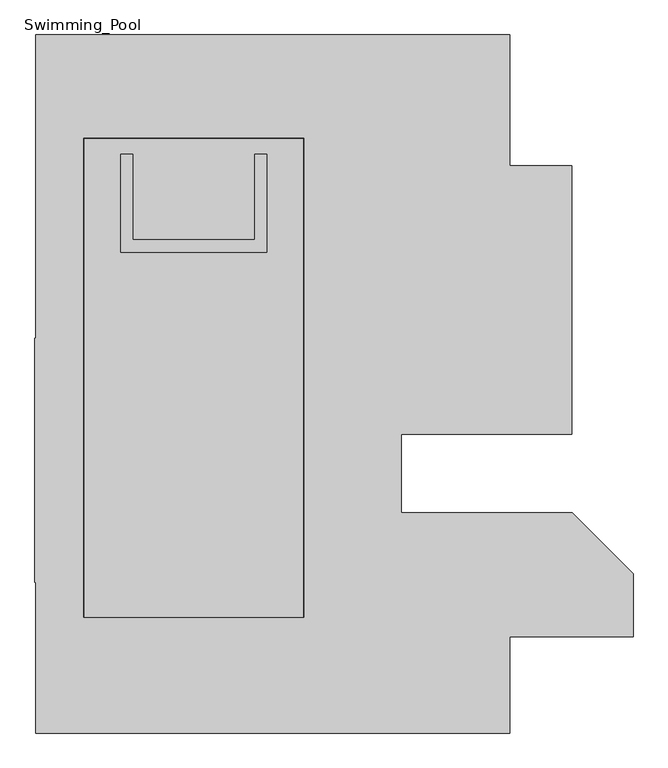
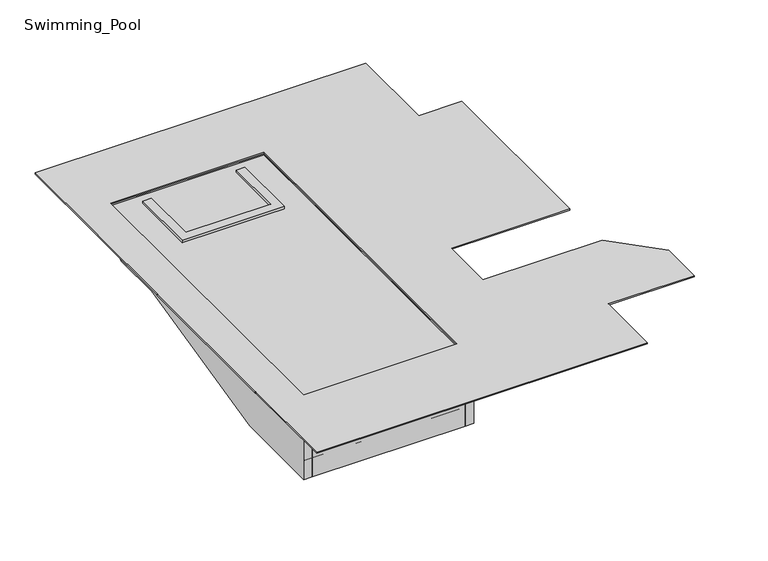
"""IFC4 building model written with IfcOpenShell, lengths in millimetres: geographic element geometry, Swimming_Pool."""

from ifc_helpers import new_model, si_unit, point, frame, frame_2d, origin, origin_with_axes, place, context, project, spatial, polyline, circle_curve, trimmed, segment, composite_curve, outline, extrude, faceted_brep, source, transform, mapped, element, save


def swimming_pool_ededd0e3(model_context):
    return source(origin(), model_context, "Body", "SolidModel", [
        extrude(outline(composite_curve([segment(polyline([(5768.6646234, -203.2), (5463.8646234, -203.2), (5463.8646234, -406.4), (5159.0646234, -406.4), (5159.0646234, -609.6), (4854.2646234, -609.6), (4854.2646234, -812.8), (4549.4646234, -812.8), (4549.4646234, -1016.0), (2720.6646234, -1016.0), (-3375.3353766, -2438.4), (-6118.5353766, -2438.4)]), True, "CONTINUOUS"), segment(trimmed(circle_curve(frame_2d((-6118.5353766, -2133.6)), 304.8), [point((-6118.5353766, -2438.4))], [point((-6423.3353766, -2133.6))], False, "CARTESIAN"), True, "CONTINUOUS"), segment(polyline([(-6423.3353766, -2133.6), (-6423.3353766, -50.8), (5768.6646234, -50.8), (5768.6646234, -203.2)]), True, "CONTINUOUS")], self_intersect=False)), frame((-3351.2776282, 0.0, 0.0), z_axis=(1.0, 0.0, 0.0), x_axis=(0.0, 1.0, 0.0)), (0.0, 0.0, 1.0), 5486.4),
        extrude(outline(polyline([(6073.4646234, -508.0), (4549.4646234, -1320.8), (2705.0295157, -1320.8), (-3375.3353766, -2743.2), (-6728.1353766, -2743.2), (-6728.1353766, 0.0), (6073.4646234, 0.0), (6073.4646234, -508.0)])), frame((-3656.0776282, 0.0, 0.0), z_axis=(1.0, 0.0, 0.0), x_axis=(0.0, 1.0, 0.0)), (0.0, 0.0, 1.0), 304.8),
        extrude(outline(polyline([(-6728.1353766, -2743.2), (-6728.1353766, 0.0), (6073.4646234, 0.0), (6073.4646234, -508.0), (4549.4646234, -1320.8), (2690.4457355, -1320.8), (-3375.3353766, -2743.2), (-6728.1353766, -2743.2)])), frame((2135.1223718, 0.0, 0.0), z_axis=(1.0, 0.0, 0.0), x_axis=(0.0, 1.0, 0.0)), (0.0, 0.0, 1.0), 304.8),
        extrude(outline(composite_curve([segment(polyline([(5768.6646234, -203.2), (5768.6646234, 0.0), (6073.4646234, 0.0), (6073.4646234, -203.2), (6073.4646234, -508.0), (4549.4646234, -1320.8), (2720.6646234, -1320.8), (-3375.3353766, -2743.2), (-6728.1353766, -2743.2), (-6728.1353766, 0.0), (-6423.3353766, 0.0), (-6423.3353766, -2133.6)]), True, "CONTINUOUS"), segment(trimmed(circle_curve(frame_2d((-6118.5353766, -2133.6)), 304.8), [point((-6423.3353766, -2133.6))], [point((-6118.5353766, -2438.4))], True, "CARTESIAN"), True, "CONTINUOUS"), segment(polyline([(-6118.5353766, -2438.4), (-3375.3353766, -2438.4), (2720.6646234, -1016.0), (4549.4646234, -1016.0), (4549.4646234, -812.8), (4854.2646234, -812.8), (4854.2646234, -609.6), (5159.0646234, -609.6), (5159.0646234, -406.4), (5463.8646234, -406.4), (5463.8646234, -203.2), (5768.6646234, -203.2)]), True, "CONTINUOUS")], self_intersect=False)), frame((-3351.2776282, 0.0, 0.0), z_axis=(1.0, 0.0, 0.0), x_axis=(0.0, 1.0, 0.0)), (0.0, 0.0, 1.0), 5486.4),
        extrude(outline(polyline([(1068.3223718, 5362.2646234), (1068.3223718, 3076.2646234), (-2132.0776282, 3076.2646234), (-2132.0776282, 5362.2646234), (1068.3223718, 5362.2646234)]), holes=[polyline([(458.7223718, 5057.4646234), (-1674.8776282, 5057.4646234), (-1674.8776282, 3685.8646234), (458.7223718, 3685.8646234), (458.7223718, 5057.4646234)])]), frame((0.0, 0.0, -1016.0), z_axis=(0.0, 0.0, 1.0), x_axis=(1.0, 0.0, 0.0)), (0.0, 0.0, 1.0), 457.2),
        faceted_brep([(-2436.8776282, 5362.2646234, 50.8), (-2436.8776282, 2923.8646234, 50.8), (1220.7223718, 2923.8646234, 50.8), (1220.7223718, 5362.2646234, 50.8), (915.9223718, 5362.2646234, 50.8), (915.9223718, 3228.6646234, 50.8), (-2132.0776282, 3228.6646234, 50.8), (-2132.0776282, 5362.2646234, 50.8), (-2436.8776282, 5362.2646234, -1016.0), (1220.7223718, 5362.2646234, -1016.0), (1220.7223718, 2923.8646234, -1016.0), (-2436.8776282, 2923.8646234, -1016.0), (-2132.0776282, 5362.2646234, -863.6), (915.9223718, 5362.2646234, -863.6), (-2132.0776282, 3228.6646234, -863.6), (915.9223718, 3228.6646234, -863.6)], [[[0, 1, 2, 3, 4, 5, 6, 7]], [[8, 9, 10, 11]], [[1, 0, 8, 11]], [[2, 1, 11, 10]], [[3, 2, 10, 9]], [[9, 8, 0, 7, 12, 13, 4, 3]], [[12, 14, 15, 13]], [[14, 12, 7, 6]], [[15, 14, 6, 5]], [[13, 15, 5, 4]]]),
        extrude(outline(polyline([(4579.8723718, -9094.5025641), (-4557.7776282, -9094.5025641), (-4557.7776282, -5328.9525641), (-4576.8276282, -5328.9525641), (-4576.8276282, 767.0474359), (-4557.7776282, 767.0474359), (-4557.7776282, 8348.9474359), (4579.8723718, 8348.9474359), (7281.7973718, 8348.9474359), (7281.7973718, 5078.8958734), (8834.3723718, 5078.8958734), (8834.3723718, -1623.5291266), (4579.8723718, -1623.5291266), (4579.8723718, -3591.2353766), (8848.6598718, -3591.2353766), (10367.8973718, -5110.4728766), (10367.8973718, -5192.8119972), (10367.8973718, -6682.0978766), (7288.1473718, -6682.0978766), (7288.1473718, -9094.5025641), (4579.8723718, -9094.5025641)]), holes=[polyline([(2135.1223718, -6198.9025641), (2135.1223718, 5768.6646234), (-3351.2776282, 5768.6646234), (-3351.2776282, -6198.9025641), (2135.1223718, -6198.9025641)])]), origin_with_axes(), (0.0, 0.0, 1.0), 50.8),
    ])


if __name__ == "__main__":
    model = new_model("IFC4")
    model_context = context("Model", 3, world=origin())
    ifc_project = project(units=[si_unit("LENGTHUNIT", "METRE", prefix="MILLI")], contexts=[model_context])
    site = spatial("IfcSite", under=ifc_project)
    building = spatial("IfcBuilding", under=site)
    placement = place(None, origin())
    swimming_pool_shape = swimming_pool_ededd0e3(model_context)
    element("IfcGeographicElement", 1, ObjectType="Swimming_Pool", at=placement, inside=building, context=model_context, shape_type="MappedRepresentation", body=[
        mapped(swimming_pool_shape, transform((0.0, 0.0, 0.0), x_axis=(1.0, 0.0, 0.0), y_axis=(0.0, 1.0, 0.0), z_axis=(0.0, 0.0, 1.0))),
    ])
    save(model, "model.ifc")
